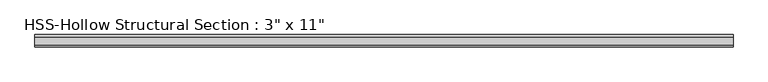
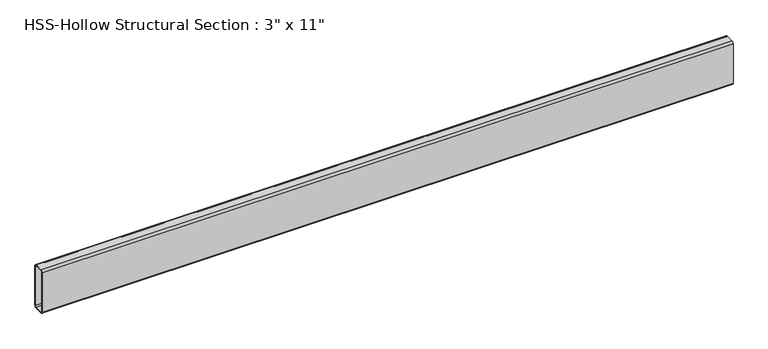
"""IFC4 building model written with IfcOpenShell, lengths in millimetres: beam geometry."""

import ifcopenshell
import ifcopenshell.guid

model = None  # the IFC model being written
_history = None  # IfcOwnerHistory: only IFC2X3 demands one
_inside = {}  # id of a spatial element -> (the spatial element, [elements in it])
_under = {}  # id of a project, library or spatial element -> (it, [spatial elements below it])
_declared = {}  # id of a project -> (the project, [libraries it declares])
_typed = {}  # id of a type object -> (the type object, [elements of that type])
_made_of = {}  # id of a material, layer set ... -> (it, [elements and type objects made of it])


def new_model(schema):
    """Start an empty IFC model of exactly this schema.

    Asked for "IFC4X3", IfcOpenShell would pick the latest addendum, in which some entities
    have other attributes; the version numbers below select the first issue.
    IFC2X3 requires an IfcOwnerHistory on every rooted entity: one is made here for all.
    """
    global model, _history
    if schema == "IFC4X3":
        model = ifcopenshell.file(schema_version=(4, 3, 0, 0))
    else:
        model = ifcopenshell.file(schema=schema)
    _inside.clear()
    _under.clear()
    _declared.clear()
    _typed.clear()
    _made_of.clear()
    _history = None
    if model.schema == "IFC2X3":
        org = make("IfcOrganization", Name="unknown")
        user = make(
            "IfcPersonAndOrganization",
            ThePerson=make("IfcPerson", FamilyName="unknown"),
            TheOrganization=org,
        )
        app = make(
            "IfcApplication",
            ApplicationDeveloper=org,
            Version="unknown",
            ApplicationFullName="unknown",
            ApplicationIdentifier="unknown",
        )
        _history = make(
            "IfcOwnerHistory",
            OwningUser=user,
            OwningApplication=app,
            ChangeAction="ADDED",
            CreationDate=0,
        )
    return model


def make(cls, **values):
    """One entity of the class cls with the attributes given. An attribute that is None is left unset."""
    return model.create_entity(
        cls, **{name: value for name, value in values.items() if value is not None}
    )


def rooted(cls, **values):
    """An entity with a GlobalId (a new one), such as an element, a storey or a relation."""
    return make(cls, GlobalId=ifcopenshell.guid.new(), OwnerHistory=_history, **values)


def si_unit(unit_type, name, prefix=None):
    """IfcSIUnit, for example si_unit("LENGTHUNIT", "METRE", prefix="MILLI")."""
    return make("IfcSIUnit", UnitType=unit_type, Prefix=prefix, Name=name)


def assignment(units):
    """IfcUnitAssignment: the units of a project."""
    return None if units is None else make("IfcUnitAssignment", Units=units)


def point(xyz):
    """IfcCartesianPoint."""
    return None if xyz is None else make("IfcCartesianPoint", Coordinates=xyz)


def direction(xyz):
    """IfcDirection."""
    return None if xyz is None else make("IfcDirection", DirectionRatios=xyz)


def frame(location, z_axis=None, x_axis=None):
    """IfcAxis2Placement3D, a coordinate frame: its origin and axes. An axis left out is left unset."""
    return make(
        "IfcAxis2Placement3D",
        Location=point(location),
        Axis=direction(z_axis),
        RefDirection=direction(x_axis),
    )


def frame_2d(location, x_axis=None):
    """IfcAxis2Placement2D, a coordinate frame in the plane: its origin and x axis."""
    return make(
        "IfcAxis2Placement2D", Location=point(location), RefDirection=direction(x_axis)
    )


def origin():
    """The frame at (0, 0, 0) with its axes left unset."""
    return frame((0.0, 0.0, 0.0))


def place(relative_to, where):
    """IfcLocalPlacement: puts the frame where relative to a parent placement (None: the world)."""
    return make(
        "IfcLocalPlacement", PlacementRelTo=relative_to, RelativePlacement=where
    )


def context(
    kind, dimensions, precision=None, world=None, true_north=None, identifier=None
):
    """IfcGeometricRepresentationContext, for example the 3D "Model" context."""
    return make(
        "IfcGeometricRepresentationContext",
        ContextIdentifier=identifier,
        ContextType=kind,
        CoordinateSpaceDimension=dimensions,
        Precision=precision,
        WorldCoordinateSystem=world,
        TrueNorth=true_north,
    )


def project(units=None, contexts=None):
    """IfcProject with its units and contexts."""
    return rooted(
        "IfcProject",
        Name="project",
        RepresentationContexts=contexts,
        UnitsInContext=assignment(units),
    )


def spatial(cls, under=None, at=None, **own):
    """A site, building, storey or space (cls), placed at a placement, below another one or the project."""
    s = rooted(cls, ObjectPlacement=at, **own)
    if under is not None:
        _under.setdefault(under.id(), (under, []))[1].append(s)
    return s


def polyline(points):
    """IfcPolyline through the points."""
    return make("IfcPolyline", Points=[point(p) for p in points])


def circle_curve(where, radius):
    """IfcCircle in the frame where."""
    return make("IfcCircle", Position=where, Radius=radius)


def trimmed(basis, trim1, trim2, sense, master):
    """IfcTrimmedCurve: the piece of a basis curve between two trims."""
    return make(
        "IfcTrimmedCurve",
        BasisCurve=basis,
        Trim1=trim1,
        Trim2=trim2,
        SenseAgreement=sense,
        MasterRepresentation=master,
    )


def segment(curve, same_sense, transition):
    """IfcCompositeCurveSegment."""
    return make(
        "IfcCompositeCurveSegment",
        Transition=transition,
        SameSense=same_sense,
        ParentCurve=curve,
    )


def composite_curve(segments, self_intersect=None):
    """IfcCompositeCurve: segments joined end to end."""
    return make("IfcCompositeCurve", Segments=segments, SelfIntersect=self_intersect)


def outline(outer, holes=None, kind="AREA"):
    """IfcArbitraryClosedProfileDef: a profile drawn as a closed curve; with holes, ...WithVoids."""
    if holes is None:
        return make("IfcArbitraryClosedProfileDef", ProfileType=kind, OuterCurve=outer)
    return make(
        "IfcArbitraryProfileDefWithVoids",
        ProfileType=kind,
        OuterCurve=outer,
        InnerCurves=holes,
    )


def extrude(swept, where, along, depth):
    """IfcExtrudedAreaSolid: the profile swept, set in the frame where, extruded along a direction by depth."""
    return make(
        "IfcExtrudedAreaSolid",
        SweptArea=swept,
        Position=where,
        ExtrudedDirection=direction(along),
        Depth=depth,
    )


def shape(context_of_items, identifier, shape_type, items):
    """IfcShapeRepresentation: the items that make up one representation, for example the "Body"."""
    return make(
        "IfcShapeRepresentation",
        ContextOfItems=context_of_items,
        RepresentationIdentifier=identifier,
        RepresentationType=shape_type,
        Items=items,
    )


def source(mapping_origin, context_of_items, identifier, shape_type, items):
    """IfcRepresentationMap: a shape defined once, which mapped items show again and again."""
    return make(
        "IfcRepresentationMap",
        MappingOrigin=mapping_origin,
        MappedRepresentation=shape(context_of_items, identifier, shape_type, items),
    )


def transform(
    local_origin,
    x_axis=None,
    y_axis=None,
    z_axis=None,
    scale=None,
    scale2=None,
    scale3=None,
    uniform=True,
):
    """IfcCartesianTransformationOperator3D, or its non-uniform kind. x_axis, y_axis, z_axis: its Axis1, 2, 3."""
    if uniform:
        return make(
            "IfcCartesianTransformationOperator3D",
            Axis1=direction(x_axis),
            Axis2=direction(y_axis),
            LocalOrigin=point(local_origin),
            Scale=scale,
            Axis3=direction(z_axis),
        )
    return make(
        "IfcCartesianTransformationOperator3DnonUniform",
        Axis1=direction(x_axis),
        Axis2=direction(y_axis),
        LocalOrigin=point(local_origin),
        Scale=scale,
        Axis3=direction(z_axis),
        Scale2=scale2,
        Scale3=scale3,
    )


def mapped(mapping_source, mapping_target):
    """IfcMappedItem: shows the shape of a source again, moved by a transform."""
    return make(
        "IfcMappedItem", MappingSource=mapping_source, MappingTarget=mapping_target
    )


def made_of(thing, what):
    """Note that an element or type object is made of a material, layer set ...; save() writes the relation."""
    if what is not None:
        _made_of.setdefault(what.id(), (what, []))[1].append(thing)
    return thing


def element(
    cls,
    number,
    at=None,
    inside=None,
    cuts=None,
    type_object=None,
    material=None,
    context=None,
    identifier="Body",
    shape_type=None,
    held_by="IfcProductDefinitionShape",
    body=None,
    shapes=None,
    **own,
):
    """One element of the class cls, such as IfcWall. Its Tag is "e" and its number.

    at: its placement. inside: the storey or other place that contains it. cuts: it is an
    opening in that element (IfcRelVoidsElement). A single representation is given by context,
    identifier, shape_type and body (its items); several are given by shapes. held_by: the class
    of the entity that holds the representations. save() writes the other relations.
    """
    e = rooted(cls, Tag="e%d" % number, ObjectPlacement=at, **own)
    if body is not None:
        shapes = [shape(context, identifier, shape_type, body)]
    if shapes is not None:
        e.Representation = make(held_by, Representations=shapes)
    if inside is not None:
        _inside.setdefault(inside.id(), (inside, []))[1].append(e)
    if cuts is not None:
        rooted(
            "IfcRelVoidsElement", RelatingBuildingElement=cuts, RelatedOpeningElement=e
        )
    if type_object is not None:
        _typed.setdefault(type_object.id(), (type_object, []))[1].append(e)
    return made_of(e, material)


def aggregate(whole, parts):
    """IfcRelAggregates: a whole, such as a stair, and the parts it consists of."""
    return rooted("IfcRelAggregates", RelatingObject=whole, RelatedObjects=parts)


def save(model, path):
    """Write the relations noted so far, then the file.

    IfcRelAggregates (storeys below a building ...), IfcRelContainedInSpatialStructure (elements
    in a storey), IfcRelDefinesByType, IfcRelAssociatesMaterial and IfcRelDeclares: one each for
    every whole, place, type object, material and project.
    """
    for whole, parts in _under.values():
        aggregate(whole, parts)
    for where, things in _inside.values():
        rooted(
            "IfcRelContainedInSpatialStructure",
            RelatedElements=things,
            RelatingStructure=where,
        )
    for kind, things in _typed.values():
        rooted("IfcRelDefinesByType", RelatedObjects=things, RelatingType=kind)
    for what, things in _made_of.values():
        rooted("IfcRelAssociatesMaterial", RelatedObjects=things, RelatingMaterial=what)
    for by, libraries in _declared.values():
        rooted("IfcRelDeclares", RelatingContext=by, RelatedDefinitions=libraries)
    model.write(path)


def beam_b91cc91c(model_context):
    return source(origin(), model_context, "Body", "SweptSolid", [
        extrude(outline(composite_curve([segment(polyline([(38.1, 127.0), (38.1, -127.0)]), True, "CONTINUOUS"), segment(trimmed(circle_curve(frame_2d((25.4, -127.0)), 12.7), [point((38.1, -127.0))], [point((25.4, -139.7))], False, "CARTESIAN"), True, "CONTINUOUS"), segment(polyline([(25.4, -139.7), (-25.4, -139.7)]), True, "CONTINUOUS"), segment(trimmed(circle_curve(frame_2d((-25.4, -127.0)), 12.7), [point((-25.4, -139.7))], [point((-38.1, -127.0))], False, "CARTESIAN"), True, "CONTINUOUS"), segment(polyline([(-38.1, -127.0), (-38.1, 127.0)]), True, "CONTINUOUS"), segment(trimmed(circle_curve(frame_2d((-25.4, 127.0)), 12.7), [point((-38.1, 127.0))], [point((-25.4, 139.7))], False, "CARTESIAN"), True, "CONTINUOUS"), segment(polyline([(-25.4, 139.7), (25.4, 139.7)]), True, "CONTINUOUS"), segment(trimmed(circle_curve(frame_2d((25.4, 127.0)), 12.7), [point((25.4, 139.7))], [point((38.1, 127.0))], False, "CARTESIAN"), True, "CONTINUOUS")], self_intersect=False), holes=[composite_curve([segment(trimmed(circle_curve(frame_2d((-25.4, 127.0)), 6.35), [point((-25.4, 133.35))], [point((-31.75, 127.0))], True, "CARTESIAN"), True, "CONTINUOUS"), segment(polyline([(-31.75, 127.0), (-31.75, -127.0)]), True, "CONTINUOUS"), segment(trimmed(circle_curve(frame_2d((-25.4, -127.0)), 6.35), [point((-31.75, -127.0))], [point((-25.4, -133.35))], True, "CARTESIAN"), True, "CONTINUOUS"), segment(polyline([(-25.4, -133.35), (25.4, -133.35)]), True, "CONTINUOUS"), segment(trimmed(circle_curve(frame_2d((25.4, -127.0)), 6.35), [point((25.4, -133.35))], [point((31.75, -127.0))], True, "CARTESIAN"), True, "CONTINUOUS"), segment(polyline([(31.75, -127.0), (31.75, 127.0)]), True, "CONTINUOUS"), segment(trimmed(circle_curve(frame_2d((25.4, 127.0)), 6.35), [point((31.75, 127.0))], [point((25.4, 133.35))], True, "CARTESIAN"), True, "CONTINUOUS"), segment(polyline([(25.4, 133.35), (-25.4, 133.35)]), True, "CONTINUOUS")], self_intersect=False)]), frame((-2117.725, 0.0, 0.0), z_axis=(1.0, 0.0, 0.0), x_axis=(0.0, 1.0, 0.0)), (0.0, 0.0, 1.0), 4235.45),
    ])


if __name__ == "__main__":
    model = new_model("IFC4")
    model_context = context("Model", 3, world=origin())
    ifc_project = project(units=[si_unit("LENGTHUNIT", "METRE", prefix="MILLI")], contexts=[model_context])
    site = spatial("IfcSite", under=ifc_project)
    building = spatial("IfcBuilding", under=site)
    placement = place(None, origin())
    beam_shape = beam_b91cc91c(model_context)
    element("IfcBeam", 1, ObjectType="HSS-Hollow Structural Section : 3\" x 11\"", at=placement, inside=building, context=model_context, shape_type="MappedRepresentation", body=[
        mapped(beam_shape, transform((0.0, 0.0, 0.0), x_axis=(1.0, 0.0, 0.0), y_axis=(0.0, 1.0, 0.0), z_axis=(0.0, 0.0, 1.0))),
    ])
    save(model, "model.ifc")
